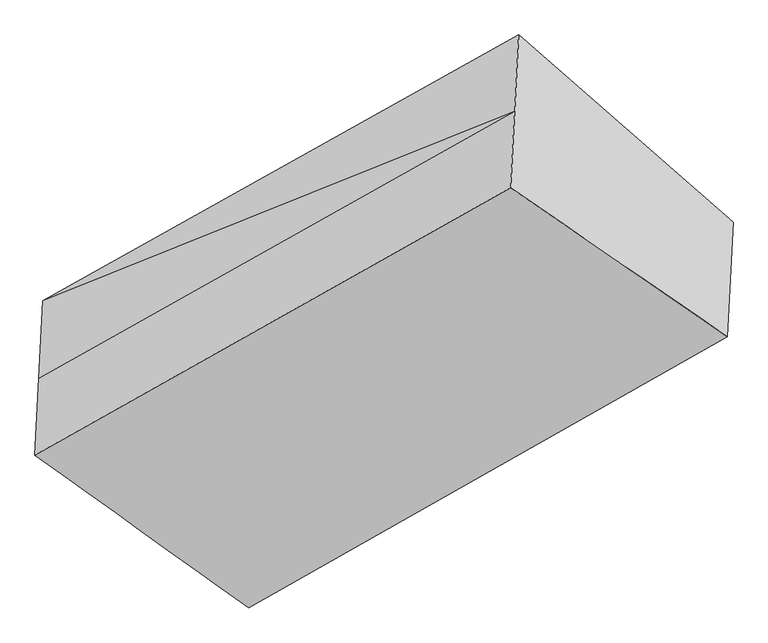
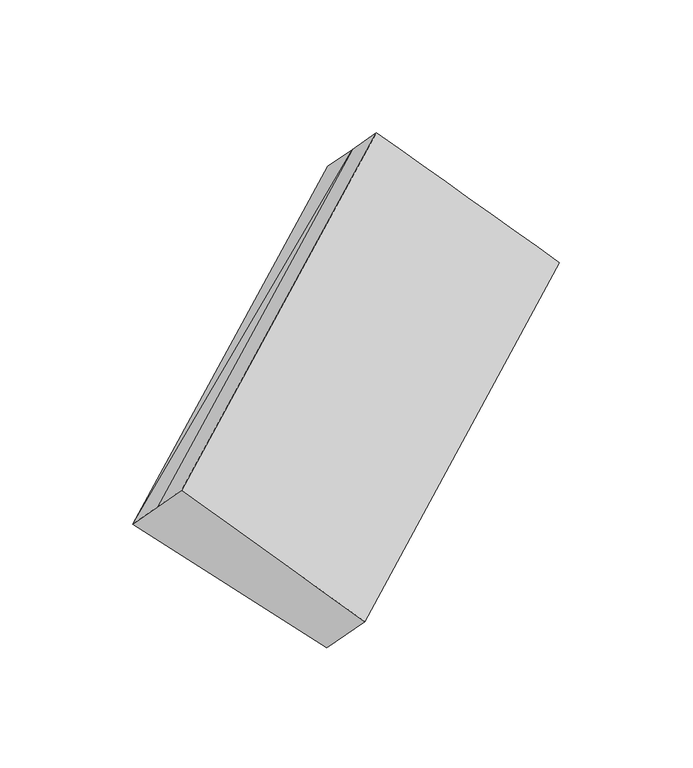
"""IFC4 building model written with IfcOpenShell, lengths in millimetres: proxy geometry."""

from ifc_helpers import new_model, si_unit, frame, origin, place, context, project, spatial, source, transform, mapped, element, save
from ifc_brep_helpers import plane_surface, spline_surface, advanced_brep


def generic_models_0ff7eee4(model_context):
    return source(origin(), model_context, "Body", "AdvancedBrep", [
        advanced_brep(
        [(-3160.2785423, -2036.2522447, 1075.3939961), (-3744.6063773, -1516.2180083, 1559.6721952), (-2432.3865126, -782.8446341, 2378.9166382), (-1840.9554915, -1298.8555698, 1898.9769946), (-3755.5641627, -1728.9316435, 1774.8696458), (-2443.2436065, -993.6036372, 2592.1366329), (-3766.521948, -1941.6452786, 1990.0670964), (-2454.1007004, -1204.3626403, 2805.3566276), (-3177.1191369, -2363.1635673, 1406.1225981), (-1857.2310364, -1614.7980897, 2218.6087134)],
        [
            (0, 1),
            (1, 2),
            (2, 3),
            (3, 0),
            (1, 4),
            (4, 5),
            (5, 1),
            (4, 6),
            (6, 7),
            (7, 5),
            (6, 8),
            (8, 9),
            (9, 7),
            (8, 0),
            (3, 9),
            (2, 5),
        ],
        [
            spline_surface(1, 1, [[(-3160.2785423, -2036.2522447, 1075.3939961), (-1840.9554915, -1298.8555698, 1898.9769946)], [(-3744.6063773, -1516.2180083, 1559.6721952), (-2432.3865126, -782.8446341, 2378.9166382)]], [2, 2], [2, 2], [0.0, 1.0], [0.0, 1.0]),
            plane_surface(frame((-3750.08527, -1622.5748259, 1667.2709205), z_axis=(-0.6406851418951798, 0.5621226648893874, 0.5230111457439572), x_axis=(-0.03619031307871004, -0.7025300103114376, 0.7107333155629306))),
            plane_surface(frame((-3761.0430553, -1835.2884611, 1882.4683711), z_axis=(-0.64068514189518, 0.5621226648893908, 0.5230111457439536), x_axis=(-0.03619031308000228, -0.7025300103121684, 0.7107333155621425))),
            spline_surface(1, 1, [[(-3766.521948, -1941.6452786, 1990.0670964), (-2454.1007004, -1204.3626403, 2805.3566276)], [(-3177.1191369, -2363.1635673, 1406.1225981), (-1857.2310364, -1614.7980897, 2218.6087134)]], [2, 2], [2, 2], [0.0, 1.0], [0.0, 1.0]),
            plane_surface(frame((-3168.6988396, -2199.707906, 1240.7582971), z_axis=(0.6406761385915709, -0.5621277880997189, -0.5230166682673812), x_axis=(0.03619031307870036, 0.7025300103114323, -0.7107333155629364))),
            plane_surface(frame((-2146.1684352, -1225.2152335, 2325.4647434), z_axis=(0.7651284413138891, 0.438022352788227, 0.47192678113288355), x_axis=(0.6402855106763233, -0.44029021270064433, -0.6294275124412511))),
            plane_surface(frame((-3462.1315011, -1964.3197747, 1507.8139714), z_axis=(-0.7715495926788924, -0.4323642173326617, -0.4666609150200497), x_axis=(-0.03619031307872497, -0.7025300103114457, 0.7107333155629219))),
            plane_surface(frame((-3744.6063773, -1516.2180083, 1559.6721952), z_axis=(-0.6406851418951802, 0.562122664889386, 0.5230111457439585), x_axis=(-0.03619031307869567, -0.7025300103114314, 0.7107333155629376))),
        ],
        [
            (0, [[1, 2, 3, 4]]),
            (1, [[5, 6, 7]]),
            (2, [[8, 9, 10, -6]]),
            (3, [[11, 12, 13, -9]]),
            (4, [[14, -4, 15, -12]]),
            (5, [[-13, -15, -3, 16, -10]]),
            (6, [[-14, -11, -8, -5, -1]]),
            (7, [[-16, -2, -7]]),
        ],
    ),
    ])


if __name__ == "__main__":
    model = new_model("IFC4")
    model_context = context("Model", 3, world=origin())
    ifc_project = project(units=[si_unit("LENGTHUNIT", "METRE", prefix="MILLI")], contexts=[model_context])
    site = spatial("IfcSite", under=ifc_project)
    building = spatial("IfcBuilding", under=site)
    placement = place(None, origin())
    generic_models_shape = generic_models_0ff7eee4(model_context)
    element("IfcBuildingElementProxy", 1, Name="Generic Models", at=placement, inside=building, context=model_context, shape_type="MappedRepresentation", body=[
        mapped(generic_models_shape, transform((0.0, 0.0, 0.0), x_axis=(1.0, 0.0, 0.0), y_axis=(0.0, 1.0, 0.0), z_axis=(0.0, 0.0, 1.0))),
    ])
    save(model, "model.ifc")
